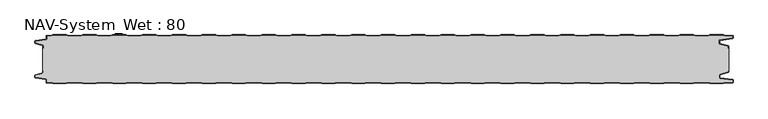
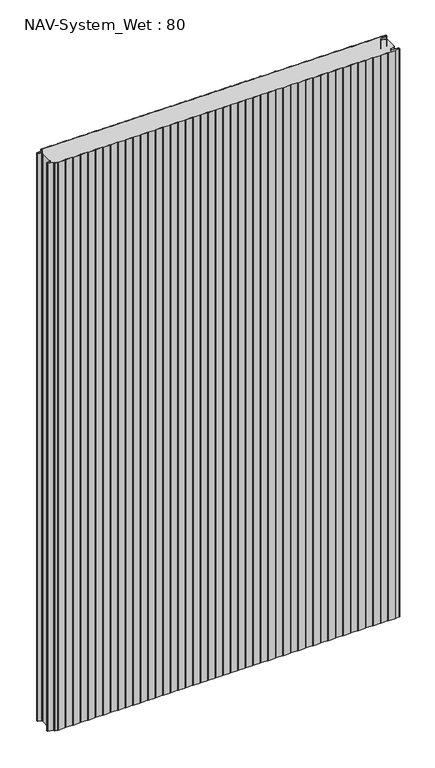
"""IFC4 building model written with IfcOpenShell, lengths in millimetres: plate geometry, NAV-System_Wet : 80."""

from ifc_helpers import new_model, si_unit, point, frame_2d, origin, origin_with_axes, place, context, project, spatial, polyline, circle_curve, trimmed, segment, composite_curve, outline, extrude, source, transform, mapped, element, save


def nav_system_wet_80_5b7eeba7(model_context):
    return source(origin(), model_context, "Body", "SweptSolid", [
        extrude(outline(composite_curve([segment(polyline([(430.3684327, -0.8), (427.3684327, 0.2), (405.3684327, 0.2), (402.3684327, -0.8), (380.3684327, -0.8), (377.3684327, 0.2), (355.3684327, 0.2), (352.3684327, -0.8), (330.3684327, -0.8), (327.3684327, 0.2), (305.3684327, 0.2), (302.3684327, -0.8), (280.3684327, -0.8), (277.3684327, 0.2), (255.3684327, 0.2), (252.3684327, -0.8), (230.3684327, -0.8), (227.3684327, 0.2), (205.3684327, 0.2), (202.3684327, -0.8), (180.3684327, -0.8), (177.3684327, 0.2), (155.3684327, 0.2), (152.3684327, -0.8), (130.3684327, -0.8), (127.3684327, 0.2), (105.3684327, 0.2), (102.3684327, -0.8), (80.3684327, -0.8), (77.3684327, 0.2), (55.3684327, 0.2), (52.3684327, -0.8), (30.3684327, -0.8), (27.3684327, 0.2), (5.3684327, 0.2), (2.3684327, -0.8), (-19.6315673, -0.8), (-22.6315673, 0.2), (-44.6315673, 0.2), (-47.6315673, -0.8), (-69.6315673, -0.8), (-72.6315673, 0.2), (-94.6315673, 0.2), (-97.6315673, -0.8), (-119.6315673, -0.8), (-122.6315673, 0.2), (-144.6315673, 0.2), (-147.6315673, -0.8), (-169.6315673, -0.8), (-172.6315673, 0.2), (-194.6315673, 0.2), (-197.6315673, -0.8), (-219.6315673, -0.8), (-222.6315673, 0.2), (-244.6315673, 0.2), (-247.6315673, -0.8), (-269.6315673, -0.8), (-272.6315673, 0.2), (-294.6315673, 0.2), (-297.6315673, -0.8), (-319.6315673, -0.8), (-322.6315673, 0.2), (-344.6315673, 0.2), (-347.6315673, -0.8), (-369.6315673, -0.8), (-372.6315673, 0.2), (-394.6315673, 0.2), (-397.6315673, -0.8), (-419.6315673, -0.8), (-422.6315673, 0.2), (-444.6315673, 0.2), (-447.6315673, -0.8), (-469.6315673, -0.8), (-472.6315673, 0.2), (-494.6315673, 0.2), (-497.6315673, -0.8), (-519.6315673, -0.8), (-522.6315673, 0.2), (-544.6315673, 0.2), (-547.6315673, -0.8), (-554.7, -0.8)]), True, "CONTINUOUS"), segment(trimmed(circle_curve(frame_2d((-554.7, -1.3)), 0.5), [point((-554.7, -0.8))], [point((-555.2, -1.3))], True, "CARTESIAN"), True, "CONTINUOUS"), segment(polyline([(-555.2, -1.3), (-555.2, -5.3964683)]), True, "CONTINUOUS"), segment(trimmed(circle_curve(frame_2d((-556.7, -5.3964683)), 1.5), [point((-555.2, -5.3964683))], [point((-556.4911207, -6.8818536))], False, "CARTESIAN"), True, "CONTINUOUS"), segment(polyline([(-556.4911207, -6.8818536), (-573.4352183, -9.2645825)]), True, "CONTINUOUS"), segment(trimmed(circle_curve(frame_2d((-573.3114909, -10.1444347)), 0.8885091), [point((-573.4352183, -9.2645825))], [point((-574.2, -10.1444347))], True, "CARTESIAN"), True, "CONTINUOUS"), segment(polyline([(-574.2, -10.1444347), (-574.2, -12.46995)]), True, "CONTINUOUS"), segment(trimmed(circle_curve(frame_2d((-573.6, -12.46995)), 0.6), [point((-574.2, -12.46995))], [point((-573.7552914, -13.0495055))], True, "CARTESIAN"), True, "CONTINUOUS"), segment(polyline([(-573.7552914, -13.0495055), (-562.3785632, -16.0978907)]), True, "CONTINUOUS"), segment(trimmed(circle_curve(frame_2d((-562.7667917, -17.5467794)), 1.5), [point((-562.3785632, -16.0978907))], [point((-561.2667917, -17.5467794))], False, "CARTESIAN"), True, "CONTINUOUS"), segment(polyline([(-561.2667917, -17.5467794), (-561.2667917, -21.0096505), (-562.0667917, -21.0096505), (-562.0667917, -17.5467794)]), True, "CONTINUOUS"), segment(trimmed(circle_curve(frame_2d((-562.7667917, -17.5467794)), 0.7), [point((-562.0667917, -17.5467794))], [point((-562.5856184, -16.8706313))], True, "CARTESIAN"), True, "CONTINUOUS"), segment(polyline([(-562.5856184, -16.8706313), (-574.0364648, -13.8023863)]), True, "CONTINUOUS"), segment(trimmed(circle_curve(frame_2d((-573.7, -12.5466827)), 1.3), [point((-574.0364648, -13.8023863))], [point((-575.0, -12.5466827))], False, "CARTESIAN"), True, "CONTINUOUS"), segment(polyline([(-575.0, -12.5466827), (-575.0, -9.8067363)]), True, "CONTINUOUS"), segment(trimmed(circle_curve(frame_2d((-573.7, -9.8067363)), 1.3), [point((-575.0, -9.8067363))], [point((-573.8810287, -8.5194024))], False, "CARTESIAN"), True, "CONTINUOUS"), segment(polyline([(-573.8810287, -8.5194024), (-556.602523, -6.0896481)]), True, "CONTINUOUS"), segment(trimmed(circle_curve(frame_2d((-556.7, -5.3964683)), 0.7), [point((-556.602523, -6.0896481))], [point((-556.0, -5.3964683))], True, "CARTESIAN"), True, "CONTINUOUS"), segment(polyline([(-556.0, -5.3964683), (-556.0, -1.3)]), True, "CONTINUOUS"), segment(trimmed(circle_curve(frame_2d((-554.7, -1.3)), 1.3), [point((-556.0, -1.3))], [point((-554.7, 0.0))], False, "CARTESIAN"), True, "CONTINUOUS"), segment(polyline([(-554.7, 0.0), (-547.7613895, 0.0), (-544.7613895, 1.0), (-522.5017452, 1.0), (-519.5017452, 0.0), (-497.7613895, 0.0), (-494.7613895, 1.0), (-472.5017452, 1.0), (-469.5017452, 0.0), (-447.7613895, 0.0), (-444.7613895, 1.0), (-422.5017452, 1.0), (-419.5017452, 0.0), (-397.7613895, 0.0), (-394.7613895, 1.0), (-372.5017452, 1.0), (-369.5017452, 0.0), (-347.7613895, 0.0), (-344.7613895, 1.0), (-322.5017452, 1.0), (-319.5017452, 0.0), (-297.7613895, 0.0), (-294.7613895, 1.0), (-272.5017452, 1.0), (-269.5017452, 0.0), (-247.7613895, 0.0), (-244.7613895, 1.0), (-222.5017452, 1.0), (-219.5017452, 0.0), (-197.7613895, 0.0), (-194.7613895, 1.0), (-172.5017452, 1.0), (-169.5017452, 0.0), (-147.7613895, 0.0), (-144.7613895, 1.0), (-122.5017452, 1.0), (-119.5017452, 0.0), (-97.7613895, 0.0), (-94.7613895, 1.0), (-72.5017452, 1.0), (-69.5017452, 0.0), (-47.7613895, 0.0), (-44.7613895, 1.0), (-22.5017452, 1.0), (-19.5017452, 0.0), (2.2386105, 0.0), (5.2386105, 1.0), (27.4982548, 1.0), (30.4982548, 0.0), (52.2386105, 0.0), (55.2386105, 1.0), (77.4982548, 1.0), (80.4982548, 0.0), (102.2386105, 0.0), (105.2386105, 1.0), (127.4982548, 1.0), (130.4982548, 0.0), (152.2386105, 0.0), (155.2386105, 1.0), (177.4982548, 1.0), (180.4982548, 0.0), (202.2386105, 0.0), (205.2386105, 1.0), (227.4982548, 1.0), (230.4982548, 0.0), (252.2386105, 0.0), (255.2386105, 1.0), (277.4982548, 1.0), (280.4982548, 0.0), (302.2386105, 0.0), (305.2386105, 1.0), (327.4982548, 1.0), (330.4982548, 0.0), (352.2386105, 0.0), (355.2386105, 1.0), (377.4982548, 1.0), (380.4982548, 0.0), (402.2386105, 0.0), (405.2386105, 1.0), (427.4982548, 1.0), (430.4982548, 0.0), (452.2386105, 0.0), (455.2386105, 1.0), (477.4982548, 1.0), (480.4982548, 0.0), (502.2386105, 0.0), (505.2386105, 1.0), (527.4982548, 1.0), (530.4982548, 0.0), (552.2386105, 0.0), (555.2386105, 1.0), (577.4982548, 1.0), (580.4982548, 0.0), (592.7, 0.0)]), True, "CONTINUOUS"), segment(trimmed(circle_curve(frame_2d((592.7, -1.3)), 1.3), [point((592.7, 0.0))], [point((594.0, -1.3))], False, "CARTESIAN"), True, "CONTINUOUS"), segment(polyline([(594.0, -1.3), (594.0, -4.3700191)]), True, "CONTINUOUS"), segment(trimmed(circle_curve(frame_2d((592.7, -4.3700191)), 1.3), [point((594.0, -4.3700191))], [point((592.8810287, -5.657353))], False, "CARTESIAN"), True, "CONTINUOUS"), segment(polyline([(592.8810287, -5.657353), (572.102523, -8.5792877)]), True, "CONTINUOUS"), segment(trimmed(circle_curve(frame_2d((572.2, -9.2724675)), 0.7), [point((572.102523, -8.5792877))], [point((571.5, -9.2724675))], True, "CARTESIAN"), True, "CONTINUOUS"), segment(polyline([(571.5, -9.2724675), (571.5, -13.0812756)]), True, "CONTINUOUS"), segment(trimmed(circle_curve(frame_2d((572.2, -13.0812756)), 0.7), [point((571.5, -13.0812756))], [point((572.0188267, -13.7574237))], True, "CARTESIAN"), True, "CONTINUOUS"), segment(polyline([(572.0188267, -13.7574237), (585.4205101, -17.3483939)]), True, "CONTINUOUS"), segment(trimmed(circle_curve(frame_2d((585.0840453, -18.6040975)), 1.3), [point((585.4205101, -17.3483939))], [point((586.3840453, -18.6040975))], False, "CARTESIAN"), True, "CONTINUOUS"), segment(polyline([(586.3840453, -18.6040975), (586.3840453, -21.0096505), (585.5840453, -21.0096505), (585.5840453, -18.6808302)]), True, "CONTINUOUS"), segment(trimmed(circle_curve(frame_2d((584.9840453, -18.6808302)), 0.6), [point((585.5840453, -18.6808302))], [point((585.1393367, -18.1012747))], True, "CARTESIAN"), True, "CONTINUOUS"), segment(polyline([(585.1393367, -18.1012747), (571.8117714, -14.5301644)]), True, "CONTINUOUS"), segment(trimmed(circle_curve(frame_2d((572.2, -13.0812756)), 1.5), [point((571.8117714, -14.5301644))], [point((570.7, -13.0812756))], False, "CARTESIAN"), True, "CONTINUOUS"), segment(polyline([(570.7, -13.0812756), (570.7, -9.2724675)]), True, "CONTINUOUS"), segment(trimmed(circle_curve(frame_2d((572.2, -9.2724675)), 1.5), [point((570.7, -9.2724675))], [point((571.9911207, -7.7870822))], False, "CARTESIAN"), True, "CONTINUOUS"), segment(polyline([(571.9911207, -7.7870822), (592.6835517, -4.8772516)]), True, "CONTINUOUS"), segment(trimmed(circle_curve(frame_2d((592.6, -4.2830975)), 0.6), [point((592.6835517, -4.8772516))], [point((593.2, -4.2830975))], True, "CARTESIAN"), True, "CONTINUOUS"), segment(polyline([(593.2, -4.2830975), (593.2, -1.3)]), True, "CONTINUOUS"), segment(trimmed(circle_curve(frame_2d((592.7, -1.3)), 0.5), [point((593.2, -1.3))], [point((592.7, -0.8))], True, "CARTESIAN"), True, "CONTINUOUS"), segment(polyline([(592.7, -0.8), (580.3684327, -0.8), (577.3684327, 0.2), (555.3684327, 0.2), (552.3684327, -0.8), (530.3684327, -0.8), (527.3684327, 0.2), (505.3684327, 0.2), (502.3684327, -0.8), (480.3684327, -0.8), (477.3684327, 0.2), (455.3684327, 0.2), (452.3684327, -0.8), (430.3684327, -0.8)]), True, "CONTINUOUS")], self_intersect=False)), origin_with_axes(), (0.0, 0.0, 1.0), 2000.0),
        extrude(outline(composite_curve([segment(polyline([(430.3684327, -0.8), (452.3684327, -0.8), (455.3684327, 0.2), (477.3684327, 0.2), (480.3684327, -0.8), (502.3684327, -0.8), (505.3684327, 0.2), (527.3684327, 0.2), (530.3684327, -0.8), (552.3684327, -0.8), (555.3684327, 0.2), (577.3684327, 0.2), (580.3684327, -0.8), (592.7, -0.8)]), True, "CONTINUOUS"), segment(trimmed(circle_curve(frame_2d((592.7, -1.3)), 0.5), [point((592.7, -0.8))], [point((593.2, -1.3))], False, "CARTESIAN"), True, "CONTINUOUS"), segment(polyline([(593.2, -1.3), (593.2, -4.2830975)]), True, "CONTINUOUS"), segment(trimmed(circle_curve(frame_2d((592.6, -4.2830975)), 0.6), [point((593.2, -4.2830975))], [point((592.6835517, -4.8772516))], False, "CARTESIAN"), True, "CONTINUOUS"), segment(polyline([(592.6835517, -4.8772516), (571.9911207, -7.7870822)]), True, "CONTINUOUS"), segment(trimmed(circle_curve(frame_2d((572.2, -9.2724675)), 1.5), [point((571.9911207, -7.7870822))], [point((570.7, -9.2724675))], True, "CARTESIAN"), True, "CONTINUOUS"), segment(polyline([(570.7, -9.2724675), (570.7, -13.0812756)]), True, "CONTINUOUS"), segment(trimmed(circle_curve(frame_2d((572.2, -13.0812756)), 1.5), [point((570.7, -13.0812756))], [point((571.8117714, -14.5301644))], True, "CARTESIAN"), True, "CONTINUOUS"), segment(polyline([(571.8117714, -14.5301644), (585.1393367, -18.1012747)]), True, "CONTINUOUS"), segment(trimmed(circle_curve(frame_2d((584.9840453, -18.6808302)), 0.6), [point((585.1393367, -18.1012747))], [point((585.5840453, -18.6808302))], False, "CARTESIAN"), True, "CONTINUOUS"), segment(polyline([(585.5840453, -18.6808302), (585.5840453, -21.0096505), (586.3840453, -21.0096505), (586.3840453, -58.9903495), (585.5840453, -58.9903495), (585.5840453, -61.3191698)]), True, "CONTINUOUS"), segment(trimmed(circle_curve(frame_2d((584.9840453, -61.3191698)), 0.6), [point((585.5840453, -61.3191698))], [point((585.1393367, -61.8987253))], False, "CARTESIAN"), True, "CONTINUOUS"), segment(polyline([(585.1393367, -61.8987253), (571.8117714, -65.4698356)]), True, "CONTINUOUS"), segment(trimmed(circle_curve(frame_2d((572.2, -66.9187244)), 1.5), [point((571.8117714, -65.4698356))], [point((570.7, -66.9187244))], True, "CARTESIAN"), True, "CONTINUOUS"), segment(polyline([(570.7, -66.9187244), (570.7, -70.7275325)]), True, "CONTINUOUS"), segment(trimmed(circle_curve(frame_2d((572.2, -70.7275325)), 1.5), [point((570.7, -70.7275325))], [point((571.9911207, -72.2129178))], True, "CARTESIAN"), True, "CONTINUOUS"), segment(polyline([(571.9911207, -72.2129178), (592.6835517, -75.1227484)]), True, "CONTINUOUS"), segment(trimmed(circle_curve(frame_2d((592.6, -75.7169025)), 0.6), [point((592.6835517, -75.1227484))], [point((593.2, -75.7169025))], False, "CARTESIAN"), True, "CONTINUOUS"), segment(polyline([(593.2, -75.7169025), (593.2, -78.7)]), True, "CONTINUOUS"), segment(trimmed(circle_curve(frame_2d((592.7, -78.7)), 0.5), [point((593.2, -78.7))], [point((592.7, -79.2))], False, "CARTESIAN"), True, "CONTINUOUS"), segment(polyline([(592.7, -79.2), (580.3684327, -79.2), (577.3684327, -80.2), (555.3684327, -80.2), (552.3684327, -79.2), (530.3684327, -79.2), (527.3684327, -80.2), (505.3684327, -80.2), (502.3684327, -79.2), (480.3684327, -79.2), (477.3684327, -80.2), (455.3684327, -80.2), (452.3684327, -79.2), (430.3684327, -79.2), (427.3684327, -80.2), (405.3684327, -80.2), (402.3684327, -79.2), (380.3684327, -79.2), (377.3684327, -80.2), (355.3684327, -80.2), (352.3684327, -79.2), (330.3684327, -79.2), (327.3684327, -80.2), (305.3684327, -80.2), (302.3684327, -79.2), (280.3684327, -79.2), (277.3684327, -80.2), (255.3684327, -80.2), (252.3684327, -79.2), (230.3684327, -79.2), (227.3684327, -80.2), (205.3684327, -80.2), (202.3684327, -79.2), (180.3684327, -79.2), (177.3684327, -80.2), (155.3684327, -80.2), (152.3684327, -79.2), (130.3684327, -79.2), (127.3684327, -80.2), (105.3684327, -80.2), (102.3684327, -79.2), (80.3684327, -79.2), (77.3684327, -80.2), (55.3684327, -80.2), (52.3684327, -79.2), (30.3684327, -79.2), (27.3684327, -80.2), (5.3684327, -80.2), (2.3684327, -79.2), (-19.6315673, -79.2), (-22.6315673, -80.2), (-44.6315673, -80.2), (-47.6315673, -79.2), (-69.6315673, -79.2), (-72.6315673, -80.2), (-94.6315673, -80.2), (-97.6315673, -79.2), (-119.6315673, -79.2), (-122.6315673, -80.2), (-144.6315673, -80.2), (-147.6315673, -79.2), (-169.6315673, -79.2), (-172.6315673, -80.2), (-194.6315673, -80.2), (-197.6315673, -79.2), (-219.6315673, -79.2), (-222.6315673, -80.2), (-244.6315673, -80.2), (-247.6315673, -79.2), (-269.6315673, -79.2), (-272.6315673, -80.2), (-294.6315673, -80.2), (-297.6315673, -79.2), (-319.6315673, -79.2), (-322.6315673, -80.2), (-344.6315673, -80.2), (-347.6315673, -79.2), (-369.6315673, -79.2), (-372.6315673, -80.2), (-394.6315673, -80.2), (-397.6315673, -79.2), (-419.6315673, -79.2), (-422.6315673, -80.2), (-444.6315673, -80.2), (-447.6315673, -79.2), (-469.6315673, -79.2), (-472.6315673, -80.2), (-494.6315673, -80.2), (-497.6315673, -79.2), (-519.6315673, -79.2), (-522.6315673, -80.2), (-544.6315673, -80.2), (-547.6315673, -79.2), (-554.7, -79.2)]), True, "CONTINUOUS"), segment(trimmed(circle_curve(frame_2d((-554.7, -78.7)), 0.5), [point((-554.7, -79.2))], [point((-555.2, -78.7))], False, "CARTESIAN"), True, "CONTINUOUS"), segment(polyline([(-555.2, -78.7), (-555.2, -74.6035317)]), True, "CONTINUOUS"), segment(trimmed(circle_curve(frame_2d((-556.7, -74.6035317)), 1.5), [point((-555.2, -74.6035317))], [point((-556.4911207, -73.1181464))], True, "CARTESIAN"), True, "CONTINUOUS"), segment(polyline([(-556.4911207, -73.1181464), (-573.4352183, -70.7354175)]), True, "CONTINUOUS"), segment(trimmed(circle_curve(frame_2d((-573.3114909, -69.8555653)), 0.8885091), [point((-573.4352183, -70.7354175))], [point((-574.2, -69.8555653))], False, "CARTESIAN"), True, "CONTINUOUS"), segment(polyline([(-574.2, -69.8555653), (-574.2, -67.53005)]), True, "CONTINUOUS"), segment(trimmed(circle_curve(frame_2d((-573.6, -67.53005)), 0.6), [point((-574.2, -67.53005))], [point((-573.7552914, -66.9504945))], False, "CARTESIAN"), True, "CONTINUOUS"), segment(polyline([(-573.7552914, -66.9504945), (-562.3785632, -63.9021093)]), True, "CONTINUOUS"), segment(trimmed(circle_curve(frame_2d((-562.7667917, -62.4532206)), 1.5), [point((-562.3785632, -63.9021093))], [point((-561.2667917, -62.4532206))], True, "CARTESIAN"), True, "CONTINUOUS"), segment(polyline([(-561.2667917, -62.4532206), (-561.2667917, -58.9903495), (-562.0667917, -58.9903495), (-562.0667917, -21.0096505), (-561.2667917, -21.0096505), (-561.2667917, -17.5467794)]), True, "CONTINUOUS"), segment(trimmed(circle_curve(frame_2d((-562.7667917, -17.5467794)), 1.5), [point((-561.2667917, -17.5467794))], [point((-562.3785632, -16.0978907))], True, "CARTESIAN"), True, "CONTINUOUS"), segment(polyline([(-562.3785632, -16.0978907), (-573.7552914, -13.0495055)]), True, "CONTINUOUS"), segment(trimmed(circle_curve(frame_2d((-573.6, -12.46995)), 0.6), [point((-573.7552914, -13.0495055))], [point((-574.2, -12.46995))], False, "CARTESIAN"), True, "CONTINUOUS"), segment(polyline([(-574.2, -12.46995), (-574.2, -10.1444347)]), True, "CONTINUOUS"), segment(trimmed(circle_curve(frame_2d((-573.3114909, -10.1444347)), 0.8885091), [point((-574.2, -10.1444347))], [point((-573.4352183, -9.2645825))], False, "CARTESIAN"), True, "CONTINUOUS"), segment(polyline([(-573.4352183, -9.2645825), (-556.4911207, -6.8818536)]), True, "CONTINUOUS"), segment(trimmed(circle_curve(frame_2d((-556.7, -5.3964683)), 1.5), [point((-556.4911207, -6.8818536))], [point((-555.2, -5.3964683))], True, "CARTESIAN"), True, "CONTINUOUS"), segment(polyline([(-555.2, -5.3964683), (-555.2, -1.3)]), True, "CONTINUOUS"), segment(trimmed(circle_curve(frame_2d((-554.7, -1.3)), 0.5), [point((-555.2, -1.3))], [point((-554.7, -0.8))], False, "CARTESIAN"), True, "CONTINUOUS"), segment(polyline([(-554.7, -0.8), (-547.6315673, -0.8), (-544.6315673, 0.2), (-522.6315673, 0.2), (-519.6315673, -0.8), (-497.6315673, -0.8), (-494.6315673, 0.2), (-472.6315673, 0.2), (-469.6315673, -0.8), (-447.6315673, -0.8), (-444.6315673, 0.2), (-422.6315673, 0.2), (-419.6315673, -0.8), (-397.6315673, -0.8), (-394.6315673, 0.2), (-372.6315673, 0.2), (-369.6315673, -0.8), (-347.6315673, -0.8), (-344.6315673, 0.2), (-322.6315673, 0.2), (-319.6315673, -0.8), (-297.6315673, -0.8), (-294.6315673, 0.2), (-272.6315673, 0.2), (-269.6315673, -0.8), (-247.6315673, -0.8), (-244.6315673, 0.2), (-222.6315673, 0.2), (-219.6315673, -0.8), (-197.6315673, -0.8), (-194.6315673, 0.2), (-172.6315673, 0.2), (-169.6315673, -0.8), (-147.6315673, -0.8), (-144.6315673, 0.2), (-122.6315673, 0.2), (-119.6315673, -0.8), (-97.6315673, -0.8), (-94.6315673, 0.2), (-72.6315673, 0.2), (-69.6315673, -0.8), (-47.6315673, -0.8), (-44.6315673, 0.2), (-22.6315673, 0.2), (-19.6315673, -0.8), (2.3684327, -0.8), (5.3684327, 0.2), (27.3684327, 0.2), (30.3684327, -0.8), (52.3684327, -0.8), (55.3684327, 0.2), (77.3684327, 0.2), (80.3684327, -0.8), (102.3684327, -0.8), (105.3684327, 0.2), (127.3684327, 0.2), (130.3684327, -0.8), (152.3684327, -0.8), (155.3684327, 0.2), (177.3684327, 0.2), (180.3684327, -0.8), (202.3684327, -0.8), (205.3684327, 0.2), (227.3684327, 0.2), (230.3684327, -0.8), (252.3684327, -0.8), (255.3684327, 0.2), (277.3684327, 0.2), (280.3684327, -0.8), (302.3684327, -0.8), (305.3684327, 0.2), (327.3684327, 0.2), (330.3684327, -0.8), (352.3684327, -0.8), (355.3684327, 0.2), (377.3684327, 0.2), (380.3684327, -0.8), (402.3684327, -0.8), (405.3684327, 0.2), (427.3684327, 0.2), (430.3684327, -0.8)]), True, "CONTINUOUS")], self_intersect=False)), origin_with_axes(), (0.0, 0.0, 1.0), 2000.0),
        extrude(outline(composite_curve([segment(polyline([(430.3684327, -79.2), (452.3684327, -79.2), (455.3684327, -80.2), (477.3684327, -80.2), (480.3684327, -79.2), (502.3684327, -79.2), (505.3684327, -80.2), (527.3684327, -80.2), (530.3684327, -79.2), (552.3684327, -79.2), (555.3684327, -80.2), (577.3684327, -80.2), (580.3684327, -79.2), (592.7, -79.2)]), True, "CONTINUOUS"), segment(trimmed(circle_curve(frame_2d((592.7, -78.7)), 0.5), [point((592.7, -79.2))], [point((593.2, -78.7))], True, "CARTESIAN"), True, "CONTINUOUS"), segment(polyline([(593.2, -78.7), (593.2, -75.7169025)]), True, "CONTINUOUS"), segment(trimmed(circle_curve(frame_2d((592.6, -75.7169025)), 0.6), [point((593.2, -75.7169025))], [point((592.6835517, -75.1227484))], True, "CARTESIAN"), True, "CONTINUOUS"), segment(polyline([(592.6835517, -75.1227484), (571.9911207, -72.2129178)]), True, "CONTINUOUS"), segment(trimmed(circle_curve(frame_2d((572.2, -70.7275325)), 1.5), [point((571.9911207, -72.2129178))], [point((570.7, -70.7275325))], False, "CARTESIAN"), True, "CONTINUOUS"), segment(polyline([(570.7, -70.7275325), (570.7, -66.9187244)]), True, "CONTINUOUS"), segment(trimmed(circle_curve(frame_2d((572.2, -66.9187244)), 1.5), [point((570.7, -66.9187244))], [point((571.8117714, -65.4698356))], False, "CARTESIAN"), True, "CONTINUOUS"), segment(polyline([(571.8117714, -65.4698356), (585.1393367, -61.8987253)]), True, "CONTINUOUS"), segment(trimmed(circle_curve(frame_2d((584.9840453, -61.3191698)), 0.6), [point((585.1393367, -61.8987253))], [point((585.5840453, -61.3191698))], True, "CARTESIAN"), True, "CONTINUOUS"), segment(polyline([(585.5840453, -61.3191698), (585.5840453, -58.9903495), (586.3840453, -58.9903495), (586.3840453, -61.3959025)]), True, "CONTINUOUS"), segment(trimmed(circle_curve(frame_2d((585.0840453, -61.3959025)), 1.3), [point((586.3840453, -61.3959025))], [point((585.4205101, -62.6516061))], False, "CARTESIAN"), True, "CONTINUOUS"), segment(polyline([(585.4205101, -62.6516061), (572.0188267, -66.2425763)]), True, "CONTINUOUS"), segment(trimmed(circle_curve(frame_2d((572.2, -66.9187244)), 0.7), [point((572.0188267, -66.2425763))], [point((571.5, -66.9187244))], True, "CARTESIAN"), True, "CONTINUOUS"), segment(polyline([(571.5, -66.9187244), (571.5, -70.7275325)]), True, "CONTINUOUS"), segment(trimmed(circle_curve(frame_2d((572.2, -70.7275325)), 0.7), [point((571.5, -70.7275325))], [point((572.102523, -71.4207123))], True, "CARTESIAN"), True, "CONTINUOUS"), segment(polyline([(572.102523, -71.4207123), (592.8810287, -74.342647)]), True, "CONTINUOUS"), segment(trimmed(circle_curve(frame_2d((592.7, -75.6299809)), 1.3), [point((592.8810287, -74.342647))], [point((594.0, -75.6299809))], False, "CARTESIAN"), True, "CONTINUOUS"), segment(polyline([(594.0, -75.6299809), (594.0, -78.7)]), True, "CONTINUOUS"), segment(trimmed(circle_curve(frame_2d((592.7, -78.7)), 1.3), [point((594.0, -78.7))], [point((592.7, -80.0))], False, "CARTESIAN"), True, "CONTINUOUS"), segment(polyline([(592.7, -80.0), (580.4982548, -80.0), (577.4982548, -81.0), (555.2386105, -81.0), (552.2386105, -80.0), (530.4982548, -80.0), (527.4982548, -81.0), (505.2386105, -81.0), (502.2386105, -80.0), (480.4982548, -80.0), (477.4982548, -81.0), (455.2386105, -81.0), (452.2386105, -80.0), (430.4982548, -80.0), (427.4982548, -81.0), (405.2386105, -81.0), (402.2386105, -80.0), (380.4982548, -80.0), (377.4982548, -81.0), (355.2386105, -81.0), (352.2386105, -80.0), (330.4982548, -80.0), (327.4982548, -81.0), (305.2386105, -81.0), (302.2386105, -80.0), (280.4982548, -80.0), (277.4982548, -81.0), (255.2386105, -81.0), (252.2386105, -80.0), (230.4982548, -80.0), (227.4982548, -81.0), (205.2386105, -81.0), (202.2386105, -80.0), (180.4982548, -80.0), (177.4982548, -81.0), (155.2386105, -81.0), (152.2386105, -80.0), (130.4982548, -80.0), (127.4982548, -81.0), (105.2386105, -81.0), (102.2386105, -80.0), (80.4982548, -80.0), (77.4982548, -81.0), (55.2386105, -81.0), (52.2386105, -80.0), (30.4982548, -80.0), (27.4982548, -81.0), (5.2386105, -81.0), (2.2386105, -80.0), (-19.5017452, -80.0), (-22.5017452, -81.0), (-44.7613895, -81.0), (-47.7613895, -80.0), (-69.5017452, -80.0), (-72.5017452, -81.0), (-94.7613895, -81.0), (-97.7613895, -80.0), (-119.5017452, -80.0), (-122.5017452, -81.0), (-144.7613895, -81.0), (-147.7613895, -80.0), (-169.5017452, -80.0), (-172.5017452, -81.0), (-194.7613895, -81.0), (-197.7613895, -80.0), (-219.5017452, -80.0), (-222.5017452, -81.0), (-244.7613895, -81.0), (-247.7613895, -80.0), (-269.5017452, -80.0), (-272.5017452, -81.0), (-294.7613895, -81.0), (-297.7613895, -80.0), (-319.5017452, -80.0), (-322.5017452, -81.0), (-344.7613895, -81.0), (-347.7613895, -80.0), (-369.5017452, -80.0), (-372.5017452, -81.0), (-394.7613895, -81.0), (-397.7613895, -80.0), (-419.5017452, -80.0), (-422.5017452, -81.0), (-444.7613895, -81.0), (-447.7613895, -80.0), (-469.5017452, -80.0), (-472.5017452, -81.0), (-494.7613895, -81.0), (-497.7613895, -80.0), (-519.5017452, -80.0), (-522.5017452, -81.0), (-544.7613895, -81.0), (-547.7613895, -80.0), (-554.7, -80.0)]), True, "CONTINUOUS"), segment(trimmed(circle_curve(frame_2d((-554.7, -78.7)), 1.3), [point((-554.7, -80.0))], [point((-556.0, -78.7))], False, "CARTESIAN"), True, "CONTINUOUS"), segment(polyline([(-556.0, -78.7), (-556.0, -74.6035317)]), True, "CONTINUOUS"), segment(trimmed(circle_curve(frame_2d((-556.7, -74.6035317)), 0.7), [point((-556.0, -74.6035317))], [point((-556.602523, -73.9103519))], True, "CARTESIAN"), True, "CONTINUOUS"), segment(polyline([(-556.602523, -73.9103519), (-573.8810287, -71.4805976)]), True, "CONTINUOUS"), segment(trimmed(circle_curve(frame_2d((-573.7, -70.1932637)), 1.3), [point((-573.8810287, -71.4805976))], [point((-575.0, -70.1932637))], False, "CARTESIAN"), True, "CONTINUOUS"), segment(polyline([(-575.0, -70.1932637), (-575.0, -67.4533173)]), True, "CONTINUOUS"), segment(trimmed(circle_curve(frame_2d((-573.7, -67.4533173)), 1.3), [point((-575.0, -67.4533173))], [point((-574.0364648, -66.1976137))], False, "CARTESIAN"), True, "CONTINUOUS"), segment(polyline([(-574.0364648, -66.1976137), (-562.5856184, -63.1293687)]), True, "CONTINUOUS"), segment(trimmed(circle_curve(frame_2d((-562.7667917, -62.4532206)), 0.7), [point((-562.5856184, -63.1293687))], [point((-562.0667917, -62.4532206))], True, "CARTESIAN"), True, "CONTINUOUS"), segment(polyline([(-562.0667917, -62.4532206), (-562.0667917, -58.9903495), (-561.2667917, -58.9903495), (-561.2667917, -62.4532206)]), True, "CONTINUOUS"), segment(trimmed(circle_curve(frame_2d((-562.7667917, -62.4532206)), 1.5), [point((-561.2667917, -62.4532206))], [point((-562.3785632, -63.9021093))], False, "CARTESIAN"), True, "CONTINUOUS"), segment(polyline([(-562.3785632, -63.9021093), (-573.7552914, -66.9504945)]), True, "CONTINUOUS"), segment(trimmed(circle_curve(frame_2d((-573.6, -67.53005)), 0.6), [point((-573.7552914, -66.9504945))], [point((-574.2, -67.53005))], True, "CARTESIAN"), True, "CONTINUOUS"), segment(polyline([(-574.2, -67.53005), (-574.2, -69.8555653)]), True, "CONTINUOUS"), segment(trimmed(circle_curve(frame_2d((-573.3114909, -69.8555653)), 0.8885091), [point((-574.2, -69.8555653))], [point((-573.4352183, -70.7354175))], True, "CARTESIAN"), True, "CONTINUOUS"), segment(polyline([(-573.4352183, -70.7354175), (-556.4911207, -73.1181464)]), True, "CONTINUOUS"), segment(trimmed(circle_curve(frame_2d((-556.7, -74.6035317)), 1.5), [point((-556.4911207, -73.1181464))], [point((-555.2, -74.6035317))], False, "CARTESIAN"), True, "CONTINUOUS"), segment(polyline([(-555.2, -74.6035317), (-555.2, -78.7)]), True, "CONTINUOUS"), segment(trimmed(circle_curve(frame_2d((-554.7, -78.7)), 0.5), [point((-555.2, -78.7))], [point((-554.7, -79.2))], True, "CARTESIAN"), True, "CONTINUOUS"), segment(polyline([(-554.7, -79.2), (-547.6315673, -79.2), (-544.6315673, -80.2), (-522.6315673, -80.2), (-519.6315673, -79.2), (-497.6315673, -79.2), (-494.6315673, -80.2), (-472.6315673, -80.2), (-469.6315673, -79.2), (-447.6315673, -79.2), (-444.6315673, -80.2), (-422.6315673, -80.2), (-419.6315673, -79.2), (-397.6315673, -79.2), (-394.6315673, -80.2), (-372.6315673, -80.2), (-369.6315673, -79.2), (-347.6315673, -79.2), (-344.6315673, -80.2), (-322.6315673, -80.2), (-319.6315673, -79.2), (-297.6315673, -79.2), (-294.6315673, -80.2), (-272.6315673, -80.2), (-269.6315673, -79.2), (-247.6315673, -79.2), (-244.6315673, -80.2), (-222.6315673, -80.2), (-219.6315673, -79.2), (-197.6315673, -79.2), (-194.6315673, -80.2), (-172.6315673, -80.2), (-169.6315673, -79.2), (-147.6315673, -79.2), (-144.6315673, -80.2), (-122.6315673, -80.2), (-119.6315673, -79.2), (-97.6315673, -79.2), (-94.6315673, -80.2), (-72.6315673, -80.2), (-69.6315673, -79.2), (-47.6315673, -79.2), (-44.6315673, -80.2), (-22.6315673, -80.2), (-19.6315673, -79.2), (2.3684327, -79.2), (5.3684327, -80.2), (27.3684327, -80.2), (30.3684327, -79.2), (52.3684327, -79.2), (55.3684327, -80.2), (77.3684327, -80.2), (80.3684327, -79.2), (102.3684327, -79.2), (105.3684327, -80.2), (127.3684327, -80.2), (130.3684327, -79.2), (152.3684327, -79.2), (155.3684327, -80.2), (177.3684327, -80.2), (180.3684327, -79.2), (202.3684327, -79.2), (205.3684327, -80.2), (227.3684327, -80.2), (230.3684327, -79.2), (252.3684327, -79.2), (255.3684327, -80.2), (277.3684327, -80.2), (280.3684327, -79.2), (302.3684327, -79.2), (305.3684327, -80.2), (327.3684327, -80.2), (330.3684327, -79.2), (352.3684327, -79.2), (355.3684327, -80.2), (377.3684327, -80.2), (380.3684327, -79.2), (402.3684327, -79.2), (405.3684327, -80.2), (427.3684327, -80.2), (430.3684327, -79.2)]), True, "CONTINUOUS")], self_intersect=False)), origin_with_axes(), (0.0, 0.0, 1.0), 2000.0),
    ])


if __name__ == "__main__":
    model = new_model("IFC4")
    model_context = context("Model", 3, world=origin())
    ifc_project = project(units=[si_unit("LENGTHUNIT", "METRE", prefix="MILLI")], contexts=[model_context])
    site = spatial("IfcSite", under=ifc_project)
    building = spatial("IfcBuilding", under=site)
    placement = place(None, origin())
    nav_system_wet_80_shape = nav_system_wet_80_5b7eeba7(model_context)
    element("IfcPlate", 1, ObjectType="NAV-System_Wet : 80", at=placement, inside=building, context=model_context, shape_type="MappedRepresentation", body=[
        mapped(nav_system_wet_80_shape, transform((0.0, 0.0, 0.0), x_axis=(1.0, 0.0, 0.0), y_axis=(0.0, 1.0, 0.0), z_axis=(0.0, 0.0, 1.0))),
    ])
    save(model, "model.ifc")
